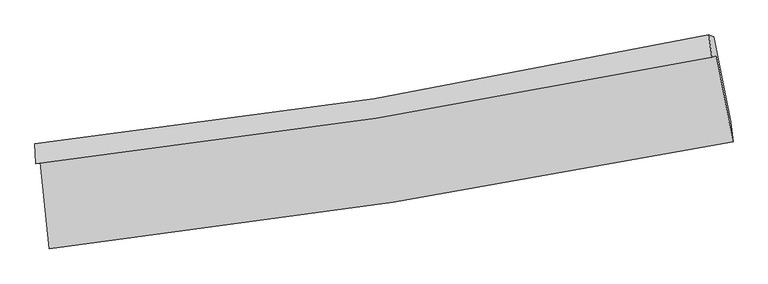
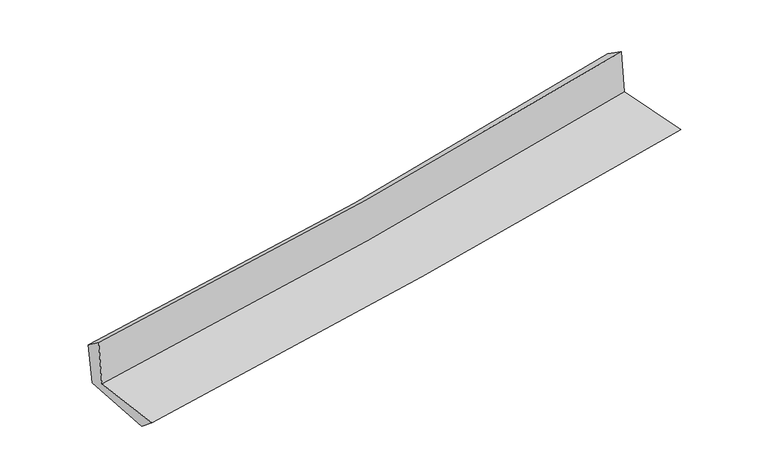
"""IFC4 building model written with IfcOpenShell, lengths in millimetres: proxy geometry."""

from ifc_helpers import new_model, si_unit, frame, origin, place, context, project, spatial, source, transform, mapped, element, save
from ifc_brep_helpers import plane_surface, spline_curve, spline_surface, advanced_brep


def generic_models_b329f35d(model_context):
    return source(origin(), model_context, "Body", "AdvancedBrep", [
        advanced_brep(
        [(-2587.1289095, -1886.1781618, 1643.102414), (-2520.4728507, -2543.1299312, 1650.9756607), (2659.5484353, -1733.6367674, 2115.3513231), (2533.4055863, -1082.362078, 2118.7209827), (-2622.9023602, -1898.8669456, 2057.253922), (2499.1216374, -1094.522538, 2515.6284336), (-2628.1286371, -1746.9136993, 1941.5879513), (2476.3953723, -923.4884181, 2403.826697), (-2595.04011, -1747.9717025, 1573.1747679), (2514.7531037, -936.4095348, 2015.2856153), (-2524.9240542, -2393.7815181, 1529.6350891), (2641.9464342, -1580.9381672, 1986.4127236)],
        [
            (0, 1),
            (1, 2, spline_curve(3, [(-2520.4728507, -2543.1299312, 1650.9756607), (-1650.947150115, -2444.048806265, 1740.153725681), (-783.353275038, -2326.819020528, 1823.529766284), (943.299695017, -2056.792633519, 1978.25920675), (1802.379581732, -1904.191364331, 2049.675053835), (2659.5484353, -1733.6367674, 2115.3513231)], [4, 2, 4], [0.0, 8.612136067453422, 17.177800873596944])),
            (2, 3),
            (3, 0, spline_curve(3, [(2533.4055863, -1082.362078, 2118.7209827), (1688.242462175, -1256.033880532, 2045.841791365), (840.112127115, -1409.727435057, 1969.88289376), (-866.700421664, -1677.883493372, 1811.376878271), (-1725.414918128, -1792.128633441, 1728.796253025), (-2587.1289095, -1886.1781618, 1643.102414)], [4, 2, 4], [0.0, 8.565664806143522, 17.177800873596944])),
            (4, 0),
            (3, 5),
            (5, 4, spline_curve(3, [(2499.1216374, -1094.522538, 2515.6284336), (1654.054259791, -1268.160379185, 2441.640780312), (805.848472667, -1421.88069659, 2366.555392687), (-901.458713764, -1690.212202078, 2213.775832175), (-1760.594259416, -1804.606687675, 2136.069716041), (-2622.9023602, -1898.8669456, 2057.253922)], [4, 2, 4], [0.0, 8.518088953149453, 17.082391054555522])),
            (6, 4),
            (5, 7),
            (7, 6, spline_curve(3, [(2476.3953723, -923.4884181, 2403.826697), (1636.179234755, -1108.707829013, 2327.449167534), (791.856082475, -1269.816077822, 2250.845329476), (-909.607236303, -1544.553501836, 2096.768209888), (-1766.792086976, -1657.92034654, 2019.292466105), (-2628.1286371, -1746.9136993, 1941.5879513)], [4, 2, 4], [0.0, 8.507314579722841, 17.060783853544415])),
            (8, 6),
            (7, 9),
            (9, 8, spline_curve(3, [(2514.7531037, -936.4095348, 2015.2856153), (1674.00533201, -1123.494163356, 1942.184518939), (828.978915554, -1284.554293217, 1868.891591232), (-874.238937139, -1555.35816276, 1721.523395645), (-1732.476925425, -1664.81875558, 1647.446041121), (-2595.04011, -1747.9717025, 1573.1747679)], [4, 2, 4], [0.0, 8.498238404499075, 17.042582262165784])),
            (10, 8),
            (9, 11),
            (11, 10, spline_curve(3, [(2641.9464342, -1580.9381672, 1986.4127236), (1787.630582155, -1750.166080535, 1914.940253918), (931.071033734, -1902.379886826, 1841.24821407), (-791.194717572, -2173.512784474, 1689.013151828), (-1656.925331874, -2292.246761684, 1610.445980026), (-2524.9240542, -2393.7815181, 1529.6350891)], [4, 2, 4], [0.0, 8.54549668513137, 17.137355213559808])),
            (1, 10),
            (11, 2),
        ],
        [
            spline_surface(3, 3, [[(-2587.1289095, -1886.1781618, 1643.102414), (-1725.414918252, -1792.12863344, 1728.79625295), (-866.700421578, -1677.883493421, 1811.376878202), (840.11212703, -1409.727435009, 1969.882893829), (1688.242462278, -1256.0338804, 2045.841791462), (2533.4055863, -1082.362078, 2118.7209827)], [(-2564.910223241, -2105.16208493, 1645.726829568), (-1700.592328904, -2009.435357683, 1732.582077207), (-838.918039368, -1894.195335833, 1815.427840827), (874.507983015, -1625.415834476, 1972.674998152), (1726.288168763, -1472.086375028, 2047.119545602), (2575.453202642, -1299.453641117, 2117.597762826)], [(-2542.691536959, -2324.14600807, 1648.351245132), (-1675.769739532, -2226.742081936, 1736.367901461), (-811.135657187, -2110.507178235, 1819.478803532), (908.903838971, -1841.104233933, 1975.467102553), (1764.333875222, -1688.138869703, 2048.397299765), (2617.500818958, -1516.545204283, 2116.474542974)], [(-2520.4728507, -2543.1299312, 1650.9756607), (-1650.947150183, -2444.048806178, 1740.153725718), (-783.353274978, -2326.819020647, 1823.529766158), (943.299694956, -2056.792633401, 1978.259206876), (1802.379581707, -1904.19136433, 2049.675053905), (2659.5484353, -1733.6367674, 2115.3513231)]], [4, 4], [4, 2, 4], [0.0, 2.148149686061635], [0.0, 8.612136067453422, 17.177800873596944]),
            spline_surface(3, 3, [[(-2622.9023602, -1898.8669456, 2057.253922), (-1760.594259322, -1804.606687536, 2136.069716065), (-901.458713837, -1690.212202175, 2213.775832189), (805.84847274, -1421.880696493, 2366.555392673), (1654.054259759, -1268.160379317, 2441.640780423), (2499.1216374, -1094.522538, 2515.6284336)], [(-2610.97787663, -1894.637350997, 1919.203419328), (-1748.867812296, -1800.447336168, 2000.311895022), (-889.872616425, -1686.102632583, 2079.642847541), (817.269690828, -1417.829609325, 2234.331226407), (1665.45032726, -1264.11821302, 2309.707784109), (2510.549620361, -1090.469051342, 2383.325949973)], [(-2599.05339307, -1890.407756403, 1781.152916672), (-1737.141365279, -1796.287984808, 1864.554073993), (-878.286518989, -1681.993063013, 1945.509862849), (828.690908941, -1413.778522177, 2102.107060096), (1676.846394777, -1260.076046697, 2177.774787776), (2521.977603339, -1086.415564658, 2251.023466327)], [(-2587.1289095, -1886.1781618, 1643.102414), (-1725.414918252, -1792.12863344, 1728.79625295), (-866.700421578, -1677.883493421, 1811.376878202), (840.11212703, -1409.727435009, 1969.882893829), (1688.242462278, -1256.0338804, 2045.841791462), (2533.4055863, -1082.362078, 2118.7209827)]], [4, 4], [4, 2, 4], [0.0, 1.316357699916733], [0.0, 8.564302101406069, 17.082391054555522]),
            spline_surface(3, 3, [[(-2628.1286371, -1746.9136993, 1941.5879513), (-1766.792087039, -1657.920346486, 2019.292466021), (-909.607236269, -1544.553501716, 2096.768209854), (791.856082441, -1269.816077942, 2250.845329509), (1636.179234806, -1108.707828996, 2327.449167578), (2476.3953723, -923.4884181, 2403.826697)], [(-2626.386544811, -1797.564781386, 1980.143274846), (-1764.726144478, -1706.815793489, 2058.218216015), (-906.891062127, -1593.10640185, 2135.770750616), (796.520212539, -1320.504284106, 2289.415350548), (1642.13757646, -1161.858679099, 2365.513038503), (2483.970794003, -980.499791396, 2441.09394251)], [(-2624.644452489, -1848.215863514, 2018.698598454), (-1762.660201883, -1755.711240534, 2097.143966071), (-904.174887979, -1641.659302041, 2174.773291427), (801.184342642, -1371.192490329, 2327.985371635), (1648.095918105, -1215.009529214, 2403.576909498), (2491.546215697, -1037.511164704, 2478.36118809)], [(-2622.9023602, -1898.8669456, 2057.253922), (-1760.594259322, -1804.606687536, 2136.069716065), (-901.458713837, -1690.212202175, 2213.775832189), (805.84847274, -1421.880696493, 2366.555392673), (1654.054259759, -1268.160379317, 2441.640780423), (2499.1216374, -1094.522538, 2515.6284336)]], [4, 4], [4, 2, 4], [0.0, 0.6209119336285857], [0.0, 8.553469273821573, 17.060783853544415]),
            spline_surface(3, 3, [[(-2595.04011, -1747.9717025, 1573.1747679), (-1732.47692535, -1664.818755714, 1647.446041198), (-874.238937198, -1555.358162868, 1721.523395757), (828.978915613, -1284.55429311, 1868.89159112), (1674.005332023, -1123.494163401, 1942.184518971), (2514.7531037, -936.4095348, 2015.2856153)], [(-2606.069619017, -1747.619034765, 1695.979162397), (-1743.915312563, -1662.51928597, 1771.394849503), (-886.028370231, -1551.756609161, 1846.605000466), (816.60463788, -1279.641554731, 1996.209503927), (1661.396632964, -1118.565385261, 2070.606068508), (2501.967193247, -932.102495895, 2144.799309201)], [(-2617.099128083, -1747.266367035, 1818.783556803), (-1755.353699825, -1660.219816231, 1895.343657717), (-897.817803236, -1548.155055423, 1971.686605145), (804.230360174, -1274.728816321, 2123.527416703), (1648.787933864, -1113.636607136, 2199.027618042), (2489.181282753, -927.795457005, 2274.313003099)], [(-2628.1286371, -1746.9136993, 1941.5879513), (-1766.792087039, -1657.920346486, 2019.292466021), (-909.607236269, -1544.553501716, 2096.768209854), (791.856082441, -1269.816077942, 2250.845329509), (1636.179234806, -1108.707828996, 2327.449167578), (2476.3953723, -923.4884181, 2403.826697)]], [4, 4], [4, 2, 4], [0.0, 1.24844430300601], [0.0, 8.544343857666709, 17.042582262165784]),
            spline_surface(3, 3, [[(-2524.9240542, -2393.7815181, 1529.6350891), (-1656.925331865, -2292.246761668, 1610.445979942), (-791.19471758, -2173.512784413, 1689.013151697), (931.071033741, -1902.379886887, 1841.248214201), (1787.630582267, -1750.166080496, 1914.940253983), (2641.9464342, -1580.9381672, 1986.4127236)], [(-2548.296072814, -2178.511579599, 1544.148315344), (-1682.109196374, -2083.104093049, 1622.779333671), (-818.876124116, -1967.461243893, 1699.849899709), (897.040327701, -1696.438022289, 1850.462673166), (1749.755498846, -1541.275441485, 1924.02167567), (2599.548657361, -1366.095289754, 1996.037020858)], [(-2571.668091386, -1963.241641001, 1558.661541656), (-1707.293060841, -1873.961424333, 1635.112687469), (-846.557530661, -1761.409703388, 1710.686647745), (863.009621653, -1490.496157707, 1859.677132155), (1711.880415444, -1332.384802413, 1933.103097284), (2557.150880539, -1151.252412246, 2005.661318042)], [(-2595.04011, -1747.9717025, 1573.1747679), (-1732.47692535, -1664.818755714, 1647.446041198), (-874.238937198, -1555.358162868, 1721.523395757), (828.978915613, -1284.55429311, 1868.89159112), (1674.005332023, -1123.494163401, 1942.184518971), (2514.7531037, -936.4095348, 2015.2856153)]], [4, 4], [4, 2, 4], [0.0, 2.052500007600678], [0.0, 8.591858528428437, 17.137355213559808]),
            spline_surface(3, 3, [[(-2520.4728507, -2543.1299312, 1650.9756607), (-1650.947150183, -2444.048806178, 1740.153725718), (-783.353274978, -2326.819020647, 1823.529766158), (943.299694956, -2056.792633401, 1978.259206876), (1802.379581707, -1904.19136433, 2049.675053905), (2659.5484353, -1733.6367674, 2115.3513231)], [(-2521.956585187, -2493.347126823, 1610.528803517), (-1652.939877397, -2393.448124665, 1696.917810477), (-785.967089171, -2275.71694192, 1778.690894697), (939.223474559, -2005.321717914, 1932.588876011), (1797.463248547, -1852.849603048, 2004.76345393), (2653.681101586, -1682.737233995, 2072.371789933)], [(-2523.440319713, -2443.564322477, 1570.081946283), (-1654.932604651, -2342.847443182, 1653.681895183), (-788.580903386, -2224.614863139, 1733.852023157), (935.147254139, -1953.850802373, 1886.918545066), (1792.546915428, -1801.507841779, 1959.851853957), (2647.813767914, -1631.837700605, 2029.392256767)], [(-2524.9240542, -2393.7815181, 1529.6350891), (-1656.925331865, -2292.246761668, 1610.445979942), (-791.19471758, -2173.512784413, 1689.013151697), (931.071033741, -1902.379886887, 1841.248214201), (1787.630582267, -1750.166080496, 1914.940253983), (2641.9464342, -1580.9381672, 1986.4127236)]], [4, 4], [4, 2, 4], [0.0, 0.6739889445652574], [0.0, 8.64896670660496, 17.251263413022368]),
            plane_surface(frame((2554.1950949, -1225.2262506, 2192.5376292), z_axis=(0.9778351581811983, 0.18892611370503928, 0.0902514652793061), x_axis=(-0.09819111012986703, 0.033076481567649044, 0.9946177417774978))),
            plane_surface(frame((-2579.7661536, -2036.1403264, 1732.6216342), z_axis=(-0.9908631621350588, -0.10159863041605555, -0.08870125264782902), x_axis=(-0.10093719827975087, 0.9948213594472449, -0.011922449034062296))),
        ],
        [
            (0, [[1, 2, 3, 4]]),
            (1, [[5, -4, 6, 7]]),
            (2, [[8, -7, 9, 10]]),
            (3, [[11, -10, 12, 13]]),
            (4, [[14, -13, 15, 16]]),
            (5, [[17, -16, 18, -2]]),
            (6, [[-12, -9, -6, -3, -18, -15]]),
            (7, [[-1, -5, -8, -11, -14, -17]]),
        ],
    ),
    ])


if __name__ == "__main__":
    model = new_model("IFC4")
    model_context = context("Model", 3, world=origin())
    ifc_project = project(units=[si_unit("LENGTHUNIT", "METRE", prefix="MILLI")], contexts=[model_context])
    site = spatial("IfcSite", under=ifc_project)
    building = spatial("IfcBuilding", under=site)
    placement = place(None, origin())
    generic_models_shape = generic_models_b329f35d(model_context)
    element("IfcBuildingElementProxy", 1, Name="Generic Models", at=placement, inside=building, context=model_context, shape_type="MappedRepresentation", body=[
        mapped(generic_models_shape, transform((0.0, 0.0, 0.0), x_axis=(1.0, 0.0, 0.0), y_axis=(0.0, 1.0, 0.0), z_axis=(0.0, 0.0, 1.0))),
    ])
    save(model, "model.ifc")
